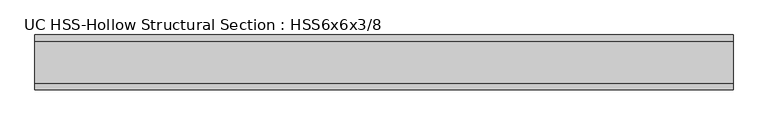
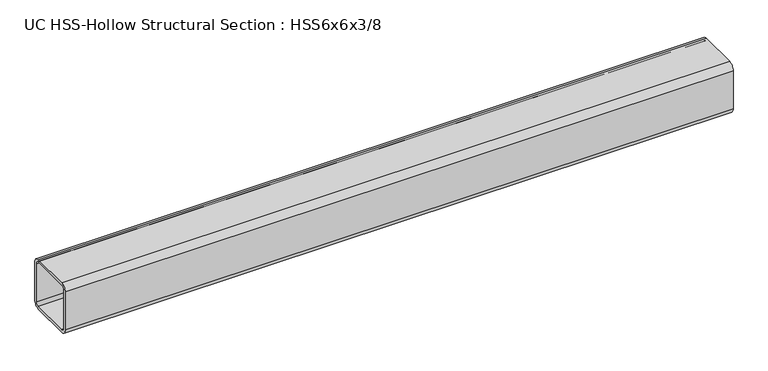
"""IFC4 building model written with IfcOpenShell, lengths in millimetres: beam geometry, UC HSS-Hollow Structural Section : HSS6x6x3/8."""

from ifc_helpers import new_model, si_unit, point, frame, frame_2d, origin, place, context, project, spatial, polyline, circle_curve, trimmed, segment, composite_curve, outline, extrude, source, transform, mapped, element, save


def uc_hss_hollow_structural_section_hss6x6x3_8_d5557182(model_context):
    return source(origin(), model_context, "Body", "SweptSolid", [
        extrude(outline(composite_curve([segment(polyline([(76.2, 58.4708), (76.2, -58.4708)]), True, "CONTINUOUS"), segment(trimmed(circle_curve(frame_2d((58.4708, -58.4708)), 17.7292), [point((76.2, -58.4708))], [point((58.4708, -76.2))], False, "CARTESIAN"), True, "CONTINUOUS"), segment(polyline([(58.4708, -76.2), (-58.4708, -76.2)]), True, "CONTINUOUS"), segment(trimmed(circle_curve(frame_2d((-58.4708, -58.4708)), 17.7292), [point((-58.4708, -76.2))], [point((-76.2, -58.4708))], False, "CARTESIAN"), True, "CONTINUOUS"), segment(polyline([(-76.2, -58.4708), (-76.2, 58.4708)]), True, "CONTINUOUS"), segment(trimmed(circle_curve(frame_2d((-58.4708, 58.4708)), 17.7292), [point((-76.2, 58.4708))], [point((-58.4708, 76.2))], False, "CARTESIAN"), True, "CONTINUOUS"), segment(polyline([(-58.4708, 76.2), (58.4708, 76.2)]), True, "CONTINUOUS"), segment(trimmed(circle_curve(frame_2d((58.4708, 58.4708)), 17.7292), [point((58.4708, 76.2))], [point((76.2, 58.4708))], False, "CARTESIAN"), True, "CONTINUOUS")], self_intersect=False), holes=[composite_curve([segment(trimmed(circle_curve(frame_2d((-58.4708, 58.4708)), 8.8646), [point((-58.4708, 67.3354))], [point((-67.3354, 58.4708))], True, "CARTESIAN"), True, "CONTINUOUS"), segment(polyline([(-67.3354, 58.4708), (-67.3354, -58.4708)]), True, "CONTINUOUS"), segment(trimmed(circle_curve(frame_2d((-58.4708, -58.4708)), 8.8646), [point((-67.3354, -58.4708))], [point((-58.4708, -67.3354))], True, "CARTESIAN"), True, "CONTINUOUS"), segment(polyline([(-58.4708, -67.3354), (58.4708, -67.3354)]), True, "CONTINUOUS"), segment(trimmed(circle_curve(frame_2d((58.4708, -58.4708)), 8.8646), [point((58.4708, -67.3354))], [point((67.3354, -58.4708))], True, "CARTESIAN"), True, "CONTINUOUS"), segment(polyline([(67.3354, -58.4708), (67.3354, 58.4708)]), True, "CONTINUOUS"), segment(trimmed(circle_curve(frame_2d((58.4708, 58.4708)), 8.8646), [point((67.3354, 58.4708))], [point((58.4708, 67.3354))], True, "CARTESIAN"), True, "CONTINUOUS"), segment(polyline([(58.4708, 67.3354), (-58.4708, 67.3354)]), True, "CONTINUOUS")], self_intersect=False)]), frame((-901.5814964, 0.0, 0.0), z_axis=(1.0, 0.0, 0.0), x_axis=(0.0, 1.0, 0.0)), (0.0, 0.0, 1.0), 1942.2950266),
    ])


if __name__ == "__main__":
    model = new_model("IFC4")
    model_context = context("Model", 3, world=origin())
    ifc_project = project(units=[si_unit("LENGTHUNIT", "METRE", prefix="MILLI")], contexts=[model_context])
    site = spatial("IfcSite", under=ifc_project)
    building = spatial("IfcBuilding", under=site)
    placement = place(None, origin())
    uc_hss_hollow_structural_section_hss6x6x3_8_shape = uc_hss_hollow_structural_section_hss6x6x3_8_d5557182(model_context)
    element("IfcBeam", 1, ObjectType="UC HSS-Hollow Structural Section : HSS6x6x3/8", at=placement, inside=building, context=model_context, shape_type="MappedRepresentation", body=[
        mapped(uc_hss_hollow_structural_section_hss6x6x3_8_shape, transform((0.0, 0.0, 0.0), x_axis=(1.0, 0.0, 0.0), y_axis=(0.0, 1.0, 0.0), z_axis=(0.0, 0.0, 1.0))),
    ])
    save(model, "model.ifc")
